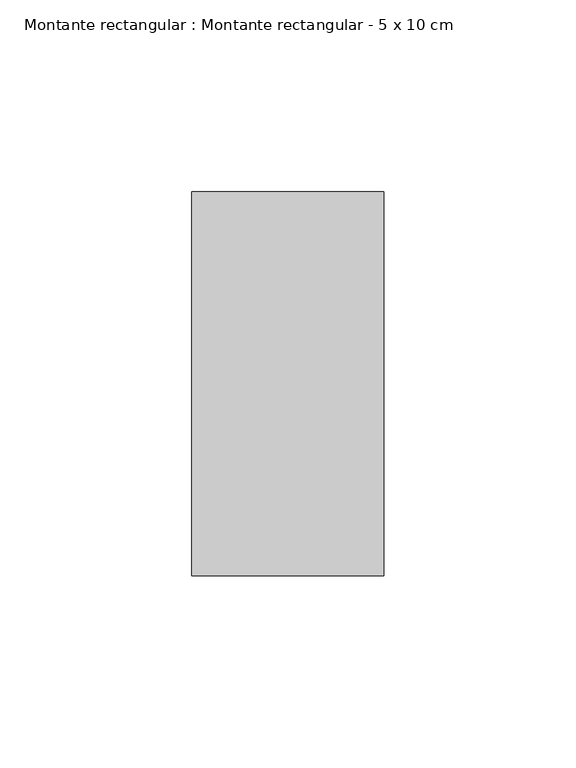
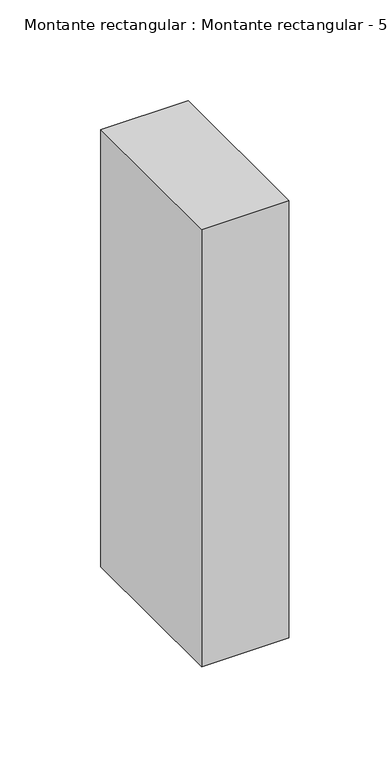
"""IFC4 building model written with IfcOpenShell, lengths in millimetres: member geometry, Montante rectangular : Montante rectangular - 5 x 10 cm."""

from ifc_helpers import new_model, si_unit, frame, origin, place, context, project, spatial, polyline, outline, extrude, source, transform, mapped, element, save


def montante_rectangular_montante_rectangular_5_x_10_cm_2adac562(model_context):
    return source(origin(), model_context, "Body", "SweptSolid", [
        extrude(outline(polyline([(-50.0, 50.0), (0.0, 50.0), (0.0, -50.0), (-50.0, -50.0), (-50.0, 50.0)])), frame((0.0, 0.0, -265.0), z_axis=(0.0, 0.0, 1.0), x_axis=(1.0, 0.0, 0.0)), (0.0, 0.0, 1.0), 265.0),
    ])


if __name__ == "__main__":
    model = new_model("IFC4")
    model_context = context("Model", 3, world=origin())
    ifc_project = project(units=[si_unit("LENGTHUNIT", "METRE", prefix="MILLI")], contexts=[model_context])
    site = spatial("IfcSite", under=ifc_project)
    building = spatial("IfcBuilding", under=site)
    placement = place(None, origin())
    montante_rectangular_montante_rectangular_5_x_10_cm_shape = montante_rectangular_montante_rectangular_5_x_10_cm_2adac562(model_context)
    element("IfcMember", 1, ObjectType="Montante rectangular : Montante rectangular - 5 x 10 cm", at=placement, inside=building, context=model_context, shape_type="MappedRepresentation", body=[
        mapped(montante_rectangular_montante_rectangular_5_x_10_cm_shape, transform((0.0, 0.0, 0.0), x_axis=(1.0, 0.0, 0.0), y_axis=(0.0, 1.0, 0.0), z_axis=(0.0, 0.0, 1.0))),
    ])
    save(model, "model.ifc")
